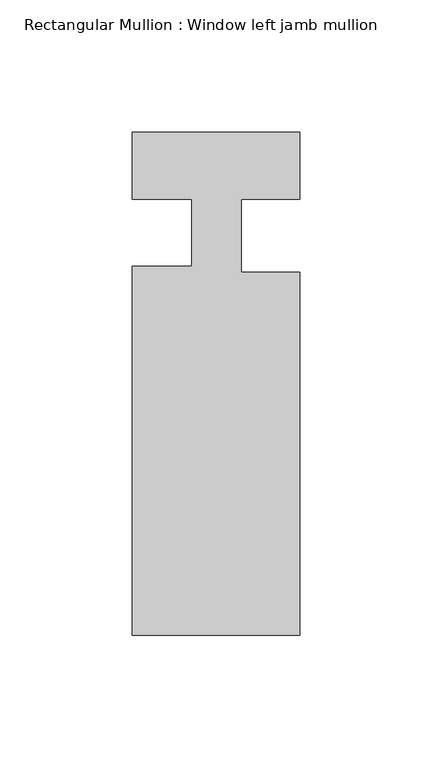
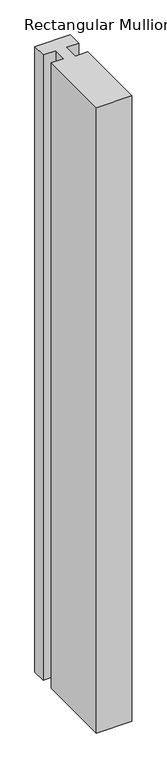
"""IFC4 building model written with IfcOpenShell, lengths in millimetres: member geometry, Rectangular Mullion : Window left jamb mullion."""

from ifc_helpers import new_model, si_unit, frame, origin, place, context, project, spatial, polyline, outline, extrude, source, transform, mapped, element, save


def rectangular_mullion_window_left_jamb_mullion_f3a3c524(model_context):
    return source(origin(), model_context, "Body", "SweptSolid", [
        extrude(outline(polyline([(31.75, -165.099995), (-31.765875, -165.099995), (-31.765875, -25.3997799), (-9.1090758, -25.3997799), (-9.1090758, 0.0053211), (-31.765875, 0.0053211), (-31.765875, 25.4), (31.75, 25.4), (31.75, 8.81e-05), (9.525, 8.81e-05), (9.525, -27.686), (31.75, -27.686), (31.75, -165.099995)])), frame((0.0, 0.0, -1182.6875), z_axis=(0.0, 0.0, 1.0), x_axis=(1.0, 0.0, 0.0)), (0.0, 0.0, 1.0), 1182.6875),
    ])


if __name__ == "__main__":
    model = new_model("IFC4")
    model_context = context("Model", 3, world=origin())
    ifc_project = project(units=[si_unit("LENGTHUNIT", "METRE", prefix="MILLI")], contexts=[model_context])
    site = spatial("IfcSite", under=ifc_project)
    building = spatial("IfcBuilding", under=site)
    placement = place(None, origin())
    rectangular_mullion_window_left_jamb_mullion_shape = rectangular_mullion_window_left_jamb_mullion_f3a3c524(model_context)
    element("IfcMember", 1, ObjectType="Rectangular Mullion : Window left jamb mullion", at=placement, inside=building, context=model_context, shape_type="MappedRepresentation", body=[
        mapped(rectangular_mullion_window_left_jamb_mullion_shape, transform((0.0, 0.0, 0.0), x_axis=(1.0, 0.0, 0.0), y_axis=(0.0, 1.0, 0.0), z_axis=(0.0, 0.0, 1.0))),
    ])
    save(model, "model.ifc")
